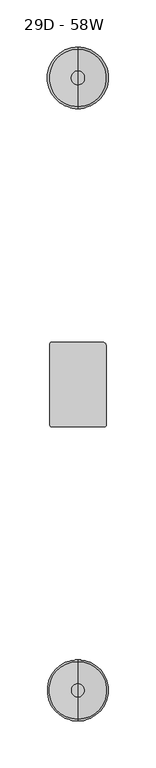
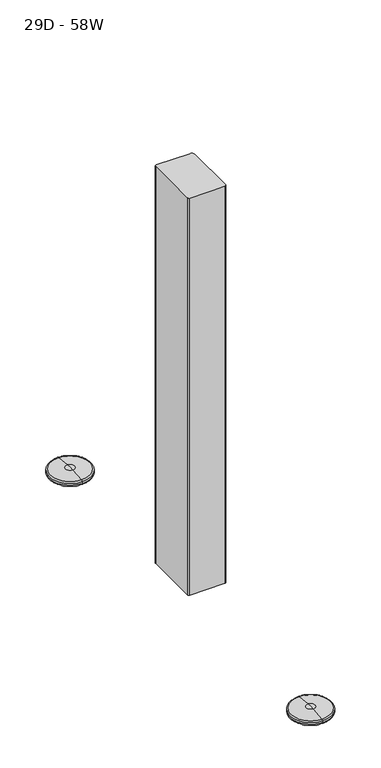
"""IFC4 building model written with IfcOpenShell, lengths in millimetres: furniture geometry, 29D - 58W."""

from ifc_helpers import new_model, si_unit, point, frame, frame_2d, origin, place, context, project, spatial, polyline, circle_curve, ellipse_curve, trimmed, segment, composite_curve, outline, extrude, source, transform, mapped, element, save
from ifc_brep_helpers import plane_surface, cylinder_surface, revolved_surface, advanced_brep


def furniture_29d_58w_d401419e(model_context):
    return source(origin(), model_context, "Body", "SolidModel", [
        advanced_brep(
        [(-832.6202029, 204.5421606, 0.0), (-832.6202029, 265.4578394, 0.0), (-832.6202029, 235.0, 0.0), (-832.6202029, 202.5079576, 2.034203), (-832.6202029, 267.4920424, 2.034203), (-832.6202029, 202.5079576, 5.0424709), (-832.6202029, 267.4920424, 5.0424709), (-832.6202029, 204.5272479, 7.0617612), (-832.6202029, 265.4727521, 7.0617612), (-832.6202029, 227.4502426, 9.288914), (-832.6202029, 242.5497574, 9.288914), (-832.6202029, 235.0, 9.288914)],
        [
            (0, 1, circle_curve(frame((-832.6202029, 235.0, 0.0), z_axis=(0.0, 0.0, -1.0), x_axis=(0.0, 1.0, 0.0)), 30.4578394)),
            (1, 2),
            (2, 0),
            (1, 0, circle_curve(frame((-832.6202029, 235.0, 0.0), z_axis=(0.0, 0.0, -1.0), x_axis=(0.0, 1.0, 0.0)), 30.4578394)),
            (3, 4, circle_curve(frame((-832.6202029, 235.0, 2.034203), z_axis=(0.0, 0.0, -1.0), x_axis=(0.0, 1.0, 0.0)), 32.4920424)),
            (4, 1, circle_curve(frame((-832.6202029, 265.4578394, 2.034203), z_axis=(-1.0, 0.0, 0.0), x_axis=(0.0, 1.0, 0.0)), 2.034203)),
            (0, 3, circle_curve(frame((-832.6202029, 204.5421606, 2.034203), z_axis=(-1.0, 0.0, 0.0), x_axis=(0.0, -1.0, 0.0)), 2.034203)),
            (4, 3, circle_curve(frame((-832.6202029, 235.0, 2.034203), z_axis=(0.0, 0.0, -1.0), x_axis=(0.0, 1.0, 0.0)), 32.4920424)),
            (5, 6, circle_curve(frame((-832.6202029, 235.0, 5.0424709), z_axis=(0.0, 0.0, -1.0), x_axis=(0.0, 1.0, 0.0)), 32.4920424)),
            (6, 4),
            (3, 5),
            (6, 5, circle_curve(frame((-832.6202029, 235.0, 5.0424709), z_axis=(0.0, 0.0, -1.0), x_axis=(0.0, 1.0, 0.0)), 32.4920424)),
            (7, 8, circle_curve(frame((-832.6202029, 235.0, 7.0617612), z_axis=(0.0, 0.0, -1.0), x_axis=(0.0, 1.0, 0.0)), 30.4727521)),
            (8, 6, circle_curve(frame((-832.6202029, 265.4727521, 5.0424709), z_axis=(-1.0, 0.0, 0.0), x_axis=(0.0, 1.0, 0.0)), 2.0192902)),
            (5, 7, circle_curve(frame((-832.6202029, 204.5272479, 5.0424709), z_axis=(-1.0, 0.0, 0.0), x_axis=(0.0, -1.0, 0.0)), 2.0192902)),
            (8, 7, circle_curve(frame((-832.6202029, 235.0, 7.0617612), z_axis=(0.0, 0.0, -1.0), x_axis=(0.0, 1.0, 0.0)), 30.4727521)),
            (9, 10, circle_curve(frame((-832.6202029, 235.0, 9.288914), z_axis=(0.0, 0.0, -1.0), x_axis=(0.0, 1.0, 0.0)), 7.5497574)),
            (10, 8),
            (7, 9),
            (10, 9, circle_curve(frame((-832.6202029, 235.0, 9.288914), z_axis=(0.0, 0.0, -1.0), x_axis=(0.0, 1.0, 0.0)), 7.5497574)),
            (11, 10),
            (9, 11),
        ],
        [
            plane_surface(frame((-832.6202029, 235.0, 0.0), z_axis=(0.0, 0.0, -1.0), x_axis=(0.0, 1.0, 0.0))),
            revolved_surface(trimmed(ellipse_curve(frame((-832.6202029, 265.4578394, 2.034203), z_axis=(1.0, 0.0, 0.0), x_axis=(0.0, 1.0, 0.0)), 2.034203, 2.034203), [point((-832.6202029, 265.4578394, 0.0))], [point((-832.6202029, 267.4920424, 2.034203))], True, "CARTESIAN"), (-832.6202029, 235.0, 13.4607192), (0.0, 0.0, 1.0)),
            cylinder_surface(frame((-832.6202029, 235.0, 13.4607192), z_axis=(0.0, 0.0, 1.0), x_axis=(0.0, 1.0, 0.0)), 32.4920424),
            revolved_surface(trimmed(ellipse_curve(frame((-832.6202029, 265.4727521, 5.0424709), z_axis=(1.0, 0.0, 0.0), x_axis=(0.0, 1.0, 0.0)), 2.0192902, 2.0192902), [point((-832.6202029, 267.4920424, 5.0424709))], [point((-832.6202029, 265.4727521, 7.0617612))], True, "CARTESIAN"), (-832.6202029, 235.0, 13.4607192), (0.0, 0.0, 1.0)),
            revolved_surface(polyline([(-832.6202029, 265.4727521, 7.0617612), (-832.6202029, 242.5497574, 9.288914)]), (-832.6202029, 235.0, 13.4607192), (0.0, 0.0, 1.0)),
            plane_surface(frame((-832.6202029, 235.0, 9.288914), z_axis=(0.0, 0.0, 1.0), x_axis=(0.0, 1.0, 0.0))),
        ],
        [
            (0, [[1, 2, 3]]),
            (0, [[4, -3, -2]]),
            (1, [[5, 6, -1, 7]]),
            (1, [[8, -7, -4, -6]]),
            (2, [[9, 10, -5, 11]]),
            (2, [[12, -11, -8, -10]]),
            (3, [[13, 14, -9, 15]]),
            (3, [[16, -15, -12, -14]]),
            (4, [[17, 18, -13, 19]]),
            (4, [[20, -19, -16, -18]]),
            (5, [[21, -17, 22]]),
            (5, [[-22, -20, -21]]),
        ],
    ),
        advanced_brep(
        [(-832.6202029, -444.1066977, 0.0), (-832.6202029, -383.5878939, 0.0), (-832.6202029, -413.8472958, 0.0), (-832.6202029, -446.1409006, 2.034203), (-832.6202029, -381.5536909, 2.034203), (-832.6202029, -446.1409006, 5.0299055), (-832.6202029, -381.5536909, 5.0299055), (-832.6202029, -421.093726, 9.3437924), (-832.6202029, -406.6008656, 9.3437924), (-832.6202029, -383.3822532, 7.048173), (-832.6202029, -444.3123383, 7.048173), (-832.6202029, -413.8472958, 9.3437924)],
        [
            (0, 1, circle_curve(frame((-832.6202029, -413.8472958, 0.0), z_axis=(0.0, 0.0, -1.0), x_axis=(0.0, 1.0, 0.0)), 30.2594019)),
            (1, 2),
            (2, 0),
            (1, 0, circle_curve(frame((-832.6202029, -413.8472958, 0.0), z_axis=(0.0, 0.0, -1.0), x_axis=(0.0, 1.0, 0.0)), 30.2594019)),
            (3, 4, circle_curve(frame((-832.6202029, -413.8472958, 2.034203), z_axis=(0.0, 0.0, -1.0), x_axis=(0.0, 1.0, 0.0)), 32.2936049)),
            (4, 1, circle_curve(frame((-832.6202029, -383.5878939, 2.034203), z_axis=(-1.0, 0.0, 0.0), x_axis=(0.0, 1.0, 0.0)), 2.034203)),
            (0, 3, circle_curve(frame((-832.6202029, -444.1066977, 2.034203), z_axis=(-1.0, 0.0, 0.0), x_axis=(0.0, -1.0, 0.0)), 2.034203)),
            (4, 3, circle_curve(frame((-832.6202029, -413.8472958, 2.034203), z_axis=(0.0, 0.0, -1.0), x_axis=(0.0, 1.0, 0.0)), 32.2936049)),
            (5, 6, circle_curve(frame((-832.6202029, -413.8472958, 5.0299055), z_axis=(0.0, 0.0, -1.0), x_axis=(0.0, 1.0, 0.0)), 32.2936049)),
            (6, 4),
            (3, 5),
            (6, 5, circle_curve(frame((-832.6202029, -413.8472958, 5.0299055), z_axis=(0.0, 0.0, -1.0), x_axis=(0.0, 1.0, 0.0)), 32.2936049)),
            (7, 8, circle_curve(frame((-832.6202029, -413.8472958, 9.3437924), z_axis=(0.0, 0.0, -1.0), x_axis=(0.0, 1.0, 0.0)), 7.2464302)),
            (8, 9),
            (9, 10, circle_curve(frame((-832.6202029, -413.8472958, 7.048173), z_axis=(0.0, 0.0, 1.0), x_axis=(0.0, 1.0, 0.0)), 30.4650426)),
            (10, 7),
            (8, 7, circle_curve(frame((-832.6202029, -413.8472958, 9.3437924), z_axis=(0.0, 0.0, -1.0), x_axis=(0.0, 1.0, 0.0)), 7.2464302)),
            (10, 9, circle_curve(frame((-832.6202029, -413.8472958, 7.048173), z_axis=(0.0, 0.0, 1.0), x_axis=(0.0, 1.0, 0.0)), 30.4650426)),
            (11, 8),
            (7, 11),
            (9, 6, circle_curve(frame((-832.6202029, -383.5817989, 5.0299055), z_axis=(-1.0, 0.0, 0.0), x_axis=(0.0, 1.0, 0.0)), 2.028108)),
            (5, 10, circle_curve(frame((-832.6202029, -444.1127927, 5.0299055), z_axis=(-1.0, 0.0, 0.0), x_axis=(0.0, -1.0, 0.0)), 2.028108)),
        ],
        [
            plane_surface(frame((-832.6202029, -413.8472958, 0.0), z_axis=(0.0, 0.0, -1.0), x_axis=(0.0, 1.0, 0.0))),
            revolved_surface(trimmed(ellipse_curve(frame((-832.6202029, -383.5878939, 2.034203), z_axis=(1.0, 0.0, 0.0), x_axis=(0.0, 1.0, 0.0)), 2.034203, 2.034203), [point((-832.6202029, -383.5878939, 0.0))], [point((-832.6202029, -381.5536909, 2.034203))], True, "CARTESIAN"), (-832.6202029, -413.8472958, 11.2335663), (0.0, 0.0, 1.0)),
            cylinder_surface(frame((-832.6202029, -413.8472958, 11.2335663), z_axis=(0.0, 0.0, 1.0), x_axis=(0.0, 1.0, 0.0)), 32.2936049),
            revolved_surface(polyline([(-832.6202029, -383.3822532, 7.048173), (-832.6202029, -406.6008656, 9.3437924)]), (-832.6202029, -413.8472958, 11.2335663), (0.0, 0.0, 1.0)),
            plane_surface(frame((-832.6202029, -413.8472958, 9.3437924), z_axis=(0.0, 0.0, 1.0), x_axis=(0.0, 1.0, 0.0))),
            revolved_surface(trimmed(ellipse_curve(frame((-832.6202029, -383.5817989, 5.0299055), z_axis=(1.0, 0.0, 0.0), x_axis=(0.0, 1.0, 0.0)), 2.028108, 2.028108), [point((-832.6202029, -381.5536909, 5.0299055))], [point((-832.6202029, -383.3822532, 7.048173))], True, "CARTESIAN"), (-832.6202029, -413.8472958, 11.2335663), (0.0, 0.0, 1.0)),
        ],
        [
            (0, [[1, 2, 3]]),
            (0, [[4, -3, -2]]),
            (1, [[5, 6, -1, 7]]),
            (1, [[8, -7, -4, -6]]),
            (2, [[9, 10, -5, 11]]),
            (2, [[12, -11, -8, -10]]),
            (3, [[13, 14, 15, 16]]),
            (3, [[17, -16, 18, -14]]),
            (4, [[19, -13, 20]]),
            (4, [[-20, -17, -19]]),
            (5, [[-15, 21, -9, 22]]),
            (5, [[-18, -22, -12, -21]]),
        ],
    ),
        extrude(outline(composite_curve([segment(polyline([(-862.5031554, -132.3282587), (-862.5031508, -47.6053305)]), True, "CONTINUOUS"), segment(trimmed(circle_curve(frame_2d((-859.8049196, -47.6053305)), 2.6982312), [point((-862.5031508, -47.6053305))], [point((-859.8049196, -44.9070993))], False, "CARTESIAN"), True, "CONTINUOUS"), segment(polyline([(-859.8049196, -44.9070993), (-806.8762966, -44.9070993)]), True, "CONTINUOUS"), segment(trimmed(circle_curve(frame_2d((-806.8762966, -49.2808172)), 4.3737179), [point((-806.8762966, -44.9070993))], [point((-802.5025787, -49.2808172))], False, "CARTESIAN"), True, "CONTINUOUS"), segment(polyline([(-802.5025787, -49.2808172), (-802.5025787, -132.4537387)]), True, "CONTINUOUS"), segment(trimmed(circle_curve(frame_2d((-805.1032707, -132.302015)), 2.605114), [point((-802.5025787, -132.4537387))], [point((-805.1032707, -134.907129))], False, "CARTESIAN"), True, "CONTINUOUS"), segment(polyline([(-805.1032707, -134.907129), (-859.9242851, -134.907129)]), True, "CONTINUOUS"), segment(trimmed(circle_curve(frame_2d((-859.9242851, -132.3282587)), 2.5788703), [point((-859.9242851, -134.907129))], [point((-862.5031554, -132.3282587))], False, "CARTESIAN"), True, "CONTINUOUS")], self_intersect=False)), frame((0.0, 0.0, 32.9997018), z_axis=(0.0, 0.0, 1.0), x_axis=(1.0, 0.0, 0.0)), (0.0, 0.0, 1.0), 653.493723),
    ])


if __name__ == "__main__":
    model = new_model("IFC4")
    model_context = context("Model", 3, world=origin())
    ifc_project = project(units=[si_unit("LENGTHUNIT", "METRE", prefix="MILLI")], contexts=[model_context])
    site = spatial("IfcSite", under=ifc_project)
    building = spatial("IfcBuilding", under=site)
    placement = place(None, origin())
    furniture_29d_58w_shape = furniture_29d_58w_d401419e(model_context)
    element("IfcFurniture", 1, ObjectType="29D - 58W", at=placement, inside=building, context=model_context, shape_type="MappedRepresentation", body=[
        mapped(furniture_29d_58w_shape, transform((0.0, 0.0, 0.0), x_axis=(1.0, 0.0, 0.0), y_axis=(0.0, 1.0, 0.0), z_axis=(0.0, 0.0, 1.0))),
    ])
    save(model, "model.ifc")
